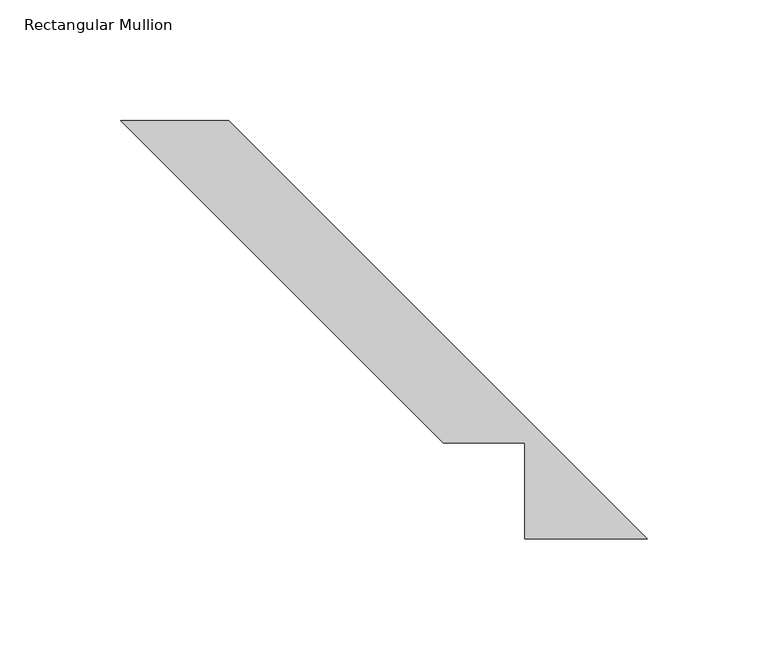
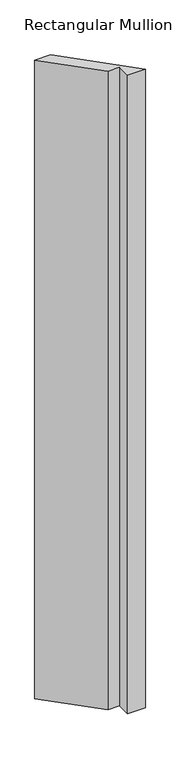
"""IFC4 building model written with IfcOpenShell, lengths in millimetres: member geometry, Rectangular Mullion."""

import ifcopenshell
import ifcopenshell.guid

model = None  # the IFC model being written
_history = None  # IfcOwnerHistory: only IFC2X3 demands one
_inside = {}  # id of a spatial element -> (the spatial element, [elements in it])
_under = {}  # id of a project, library or spatial element -> (it, [spatial elements below it])
_declared = {}  # id of a project -> (the project, [libraries it declares])
_typed = {}  # id of a type object -> (the type object, [elements of that type])
_made_of = {}  # id of a material, layer set ... -> (it, [elements and type objects made of it])


def new_model(schema):
    """Start an empty IFC model of exactly this schema.

    Asked for "IFC4X3", IfcOpenShell would pick the latest addendum, in which some entities
    have other attributes; the version numbers below select the first issue.
    IFC2X3 requires an IfcOwnerHistory on every rooted entity: one is made here for all.
    """
    global model, _history
    if schema == "IFC4X3":
        model = ifcopenshell.file(schema_version=(4, 3, 0, 0))
    else:
        model = ifcopenshell.file(schema=schema)
    _inside.clear()
    _under.clear()
    _declared.clear()
    _typed.clear()
    _made_of.clear()
    _history = None
    if model.schema == "IFC2X3":
        org = make("IfcOrganization", Name="unknown")
        user = make(
            "IfcPersonAndOrganization",
            ThePerson=make("IfcPerson", FamilyName="unknown"),
            TheOrganization=org,
        )
        app = make(
            "IfcApplication",
            ApplicationDeveloper=org,
            Version="unknown",
            ApplicationFullName="unknown",
            ApplicationIdentifier="unknown",
        )
        _history = make(
            "IfcOwnerHistory",
            OwningUser=user,
            OwningApplication=app,
            ChangeAction="ADDED",
            CreationDate=0,
        )
    return model


def make(cls, **values):
    """One entity of the class cls with the attributes given. An attribute that is None is left unset."""
    return model.create_entity(
        cls, **{name: value for name, value in values.items() if value is not None}
    )


def rooted(cls, **values):
    """An entity with a GlobalId (a new one), such as an element, a storey or a relation."""
    return make(cls, GlobalId=ifcopenshell.guid.new(), OwnerHistory=_history, **values)


def si_unit(unit_type, name, prefix=None):
    """IfcSIUnit, for example si_unit("LENGTHUNIT", "METRE", prefix="MILLI")."""
    return make("IfcSIUnit", UnitType=unit_type, Prefix=prefix, Name=name)


def assignment(units):
    """IfcUnitAssignment: the units of a project."""
    return None if units is None else make("IfcUnitAssignment", Units=units)


def point(xyz):
    """IfcCartesianPoint."""
    return None if xyz is None else make("IfcCartesianPoint", Coordinates=xyz)


def direction(xyz):
    """IfcDirection."""
    return None if xyz is None else make("IfcDirection", DirectionRatios=xyz)


def frame(location, z_axis=None, x_axis=None):
    """IfcAxis2Placement3D, a coordinate frame: its origin and axes. An axis left out is left unset."""
    return make(
        "IfcAxis2Placement3D",
        Location=point(location),
        Axis=direction(z_axis),
        RefDirection=direction(x_axis),
    )


def origin():
    """The frame at (0, 0, 0) with its axes left unset."""
    return frame((0.0, 0.0, 0.0))


def place(relative_to, where):
    """IfcLocalPlacement: puts the frame where relative to a parent placement (None: the world)."""
    return make(
        "IfcLocalPlacement", PlacementRelTo=relative_to, RelativePlacement=where
    )


def context(
    kind, dimensions, precision=None, world=None, true_north=None, identifier=None
):
    """IfcGeometricRepresentationContext, for example the 3D "Model" context."""
    return make(
        "IfcGeometricRepresentationContext",
        ContextIdentifier=identifier,
        ContextType=kind,
        CoordinateSpaceDimension=dimensions,
        Precision=precision,
        WorldCoordinateSystem=world,
        TrueNorth=true_north,
    )


def project(units=None, contexts=None):
    """IfcProject with its units and contexts."""
    return rooted(
        "IfcProject",
        Name="project",
        RepresentationContexts=contexts,
        UnitsInContext=assignment(units),
    )


def spatial(cls, under=None, at=None, **own):
    """A site, building, storey or space (cls), placed at a placement, below another one or the project."""
    s = rooted(cls, ObjectPlacement=at, **own)
    if under is not None:
        _under.setdefault(under.id(), (under, []))[1].append(s)
    return s


def polyline(points):
    """IfcPolyline through the points."""
    return make("IfcPolyline", Points=[point(p) for p in points])


def outline(outer, holes=None, kind="AREA"):
    """IfcArbitraryClosedProfileDef: a profile drawn as a closed curve; with holes, ...WithVoids."""
    if holes is None:
        return make("IfcArbitraryClosedProfileDef", ProfileType=kind, OuterCurve=outer)
    return make(
        "IfcArbitraryProfileDefWithVoids",
        ProfileType=kind,
        OuterCurve=outer,
        InnerCurves=holes,
    )


def extrude(swept, where, along, depth):
    """IfcExtrudedAreaSolid: the profile swept, set in the frame where, extruded along a direction by depth."""
    return make(
        "IfcExtrudedAreaSolid",
        SweptArea=swept,
        Position=where,
        ExtrudedDirection=direction(along),
        Depth=depth,
    )


def shape(context_of_items, identifier, shape_type, items):
    """IfcShapeRepresentation: the items that make up one representation, for example the "Body"."""
    return make(
        "IfcShapeRepresentation",
        ContextOfItems=context_of_items,
        RepresentationIdentifier=identifier,
        RepresentationType=shape_type,
        Items=items,
    )


def source(mapping_origin, context_of_items, identifier, shape_type, items):
    """IfcRepresentationMap: a shape defined once, which mapped items show again and again."""
    return make(
        "IfcRepresentationMap",
        MappingOrigin=mapping_origin,
        MappedRepresentation=shape(context_of_items, identifier, shape_type, items),
    )


def transform(
    local_origin,
    x_axis=None,
    y_axis=None,
    z_axis=None,
    scale=None,
    scale2=None,
    scale3=None,
    uniform=True,
):
    """IfcCartesianTransformationOperator3D, or its non-uniform kind. x_axis, y_axis, z_axis: its Axis1, 2, 3."""
    if uniform:
        return make(
            "IfcCartesianTransformationOperator3D",
            Axis1=direction(x_axis),
            Axis2=direction(y_axis),
            LocalOrigin=point(local_origin),
            Scale=scale,
            Axis3=direction(z_axis),
        )
    return make(
        "IfcCartesianTransformationOperator3DnonUniform",
        Axis1=direction(x_axis),
        Axis2=direction(y_axis),
        LocalOrigin=point(local_origin),
        Scale=scale,
        Axis3=direction(z_axis),
        Scale2=scale2,
        Scale3=scale3,
    )


def mapped(mapping_source, mapping_target):
    """IfcMappedItem: shows the shape of a source again, moved by a transform."""
    return make(
        "IfcMappedItem", MappingSource=mapping_source, MappingTarget=mapping_target
    )


def made_of(thing, what):
    """Note that an element or type object is made of a material, layer set ...; save() writes the relation."""
    if what is not None:
        _made_of.setdefault(what.id(), (what, []))[1].append(thing)
    return thing


def element(
    cls,
    number,
    at=None,
    inside=None,
    cuts=None,
    type_object=None,
    material=None,
    context=None,
    identifier="Body",
    shape_type=None,
    held_by="IfcProductDefinitionShape",
    body=None,
    shapes=None,
    **own,
):
    """One element of the class cls, such as IfcWall. Its Tag is "e" and its number.

    at: its placement. inside: the storey or other place that contains it. cuts: it is an
    opening in that element (IfcRelVoidsElement). A single representation is given by context,
    identifier, shape_type and body (its items); several are given by shapes. held_by: the class
    of the entity that holds the representations. save() writes the other relations.
    """
    e = rooted(cls, Tag="e%d" % number, ObjectPlacement=at, **own)
    if body is not None:
        shapes = [shape(context, identifier, shape_type, body)]
    if shapes is not None:
        e.Representation = make(held_by, Representations=shapes)
    if inside is not None:
        _inside.setdefault(inside.id(), (inside, []))[1].append(e)
    if cuts is not None:
        rooted(
            "IfcRelVoidsElement", RelatingBuildingElement=cuts, RelatedOpeningElement=e
        )
    if type_object is not None:
        _typed.setdefault(type_object.id(), (type_object, []))[1].append(e)
    return made_of(e, material)


def aggregate(whole, parts):
    """IfcRelAggregates: a whole, such as a stair, and the parts it consists of."""
    return rooted("IfcRelAggregates", RelatingObject=whole, RelatedObjects=parts)


def save(model, path):
    """Write the relations noted so far, then the file.

    IfcRelAggregates (storeys below a building ...), IfcRelContainedInSpatialStructure (elements
    in a storey), IfcRelDefinesByType, IfcRelAssociatesMaterial and IfcRelDeclares: one each for
    every whole, place, type object, material and project.
    """
    for whole, parts in _under.values():
        aggregate(whole, parts)
    for where, things in _inside.values():
        rooted(
            "IfcRelContainedInSpatialStructure",
            RelatedElements=things,
            RelatingStructure=where,
        )
    for kind, things in _typed.values():
        rooted("IfcRelDefinesByType", RelatedObjects=things, RelatingType=kind)
    for what, things in _made_of.values():
        rooted("IfcRelAssociatesMaterial", RelatedObjects=things, RelatingMaterial=what)
    for by, libraries in _declared.values():
        rooted("IfcRelDeclares", RelatingContext=by, RelatedDefinitions=libraries)
    model.write(path)


def rectangular_mullion_08744e04(model_context):
    return source(origin(), model_context, "Body", "SweptSolid", [
        extrude(outline(polyline([(-236.2739987, 191.3727182), (-191.3727181, 191.3727182), (-17.9577999, 17.9578), (-68.7578, 17.9578), (-68.7578, 57.6326), (-102.5338805, 57.6326), (-236.2739987, 191.3727182)])), frame((0.0, 0.0, -1943.1), z_axis=(0.0, 0.0, 1.0), x_axis=(1.0, 0.0, 0.0)), (0.0, 0.0, 1.0), 1943.1),
    ])


if __name__ == "__main__":
    model = new_model("IFC4")
    model_context = context("Model", 3, world=origin())
    ifc_project = project(units=[si_unit("LENGTHUNIT", "METRE", prefix="MILLI")], contexts=[model_context])
    site = spatial("IfcSite", under=ifc_project)
    building = spatial("IfcBuilding", under=site)
    placement = place(None, origin())
    rectangular_mullion_shape = rectangular_mullion_08744e04(model_context)
    element("IfcMember", 1, ObjectType="Rectangular Mullion", at=placement, inside=building, context=model_context, shape_type="MappedRepresentation", body=[
        mapped(rectangular_mullion_shape, transform((0.0, 0.0, 0.0), x_axis=(1.0, 0.0, 0.0), y_axis=(0.0, 1.0, 0.0), z_axis=(0.0, 0.0, 1.0))),
    ])
    save(model, "model.ifc")
